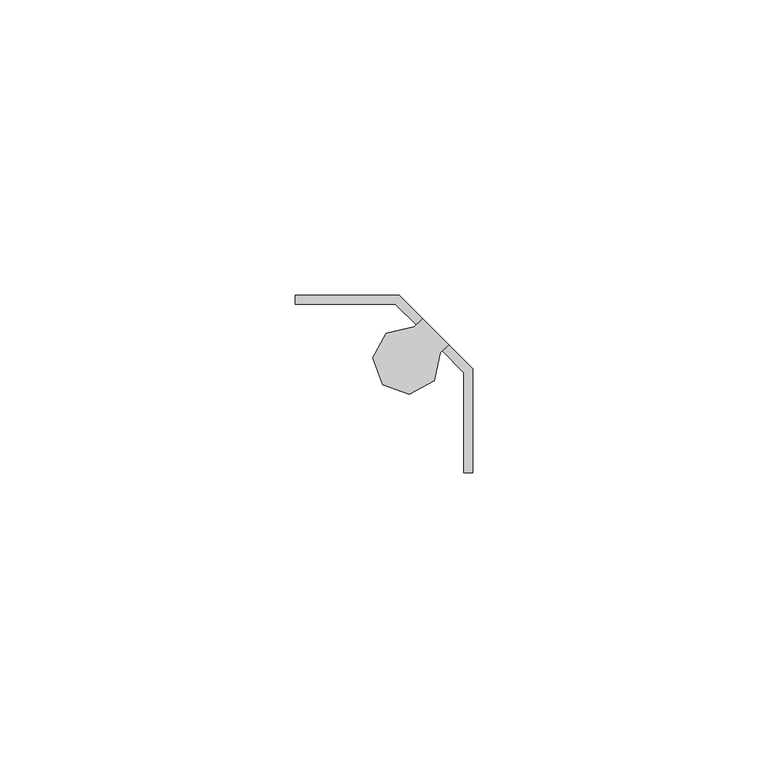
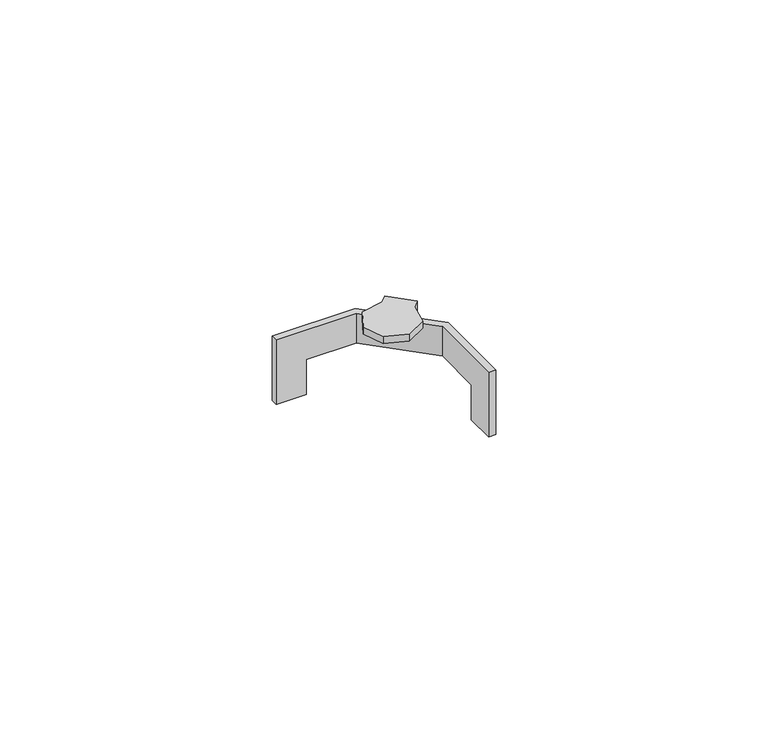
"""IFC4 building model written with IfcOpenShell, lengths in millimetres: furniture geometry."""

from ifc_helpers import new_model, si_unit, origin, place, context, project, spatial, faceted_brep, source, transform, mapped, element, save


def furniture_5d1d2573(model_context):
    return source(origin(), model_context, "Body", "Brep", [
        faceted_brep([(13.4619997, -16.6624005, 1011.936), (11.938, -16.6624005, 1011.936), (11.938, -10.3123997, 1011.936), (13.4619997, -10.3123997, 1011.936), (-16.6624005, 13.4619997, 1011.936), (-10.3123997, 13.4619997, 1011.936), (-10.3123997, 11.938, 1011.936), (-16.6624005, 11.938, 1011.936), (-16.6624005, 11.938, 1026.4140407), (-16.6624005, 13.4619997, 1026.4140407), (-10.3123997, 11.938, 1019.8100107), (0.3126179, 11.938, 1019.8100107), (0.3126179, 11.938, 1026.4140407), (11.938, -16.6624005, 1026.4140407), (11.938, 0.3126179, 1026.4140407), (11.938, 0.3126179, 1019.8100107), (11.938, -10.3123997, 1019.8100107), (13.4619997, -16.6624005, 1026.4140407), (13.4619997, -10.3123997, 1019.8100107), (13.4619997, 0.9438794, 1019.8100107), (13.4619997, 0.9438794, 1026.4140407), (0.9438794, 13.4619997, 1026.4140407), (0.9438794, 13.4619997, 1019.8100107), (-10.3123997, 13.4619997, 1019.8100107), (3.8526658, 8.3979521, 1026.4140407), (4.9302965, 9.4755825, 1026.4140407), (9.3306218, 5.0752572, 1026.4140407), (8.2529914, 3.9976265, 1026.4140407), (8.2529914, 3.9976265, 1028.7000203), (3.8526658, 8.3979521, 1028.7000203), (4.9302965, 9.4755825, 1030.2240552), (9.3306218, 5.0752572, 1030.2240552), (3.5109947, 8.0562811, 1030.2240552), (-1.198128, 7.035436, 1030.2240552), (-3.5048245, 2.804937, 1030.2240552), (-1.8121944, -1.7064898, 1030.2240552), (2.7079737, -3.375636, 1030.2240552), (6.9264196, -1.046971, 1030.2240552), (7.9227626, 3.6673977, 1030.2240552), (3.5109947, 8.0562811, 1028.7000203), (7.9227626, 3.6673977, 1028.7000203), (6.9264196, -1.046971, 1028.7000203), (2.7079737, -3.375636, 1028.7000203), (-1.8121944, -1.7064898, 1028.7000203), (-3.5048245, 2.804937, 1028.7000203), (-1.198128, 7.035436, 1028.7000203)], [[[0, 1, 2, 3]], [[4, 5, 6, 7]], [[4, 7, 8, 9]], [[7, 6, 10, 11, 12, 8]], [[2, 1, 13, 14, 15, 16]], [[1, 0, 17, 13]], [[0, 3, 18, 19, 20, 17]], [[5, 4, 9, 21, 22, 23]], [[6, 5, 23, 10]], [[3, 2, 16, 18]], [[9, 8, 12, 24, 25, 21]], [[14, 13, 17, 20, 26, 27]], [[22, 19, 18, 16, 15, 11, 10, 23]], [[11, 15, 14, 27, 28, 29, 24, 12]], [[19, 22, 21, 25, 30, 31, 26, 20]], [[31, 30, 32, 33, 34, 35, 36, 37, 38]], [[32, 30, 25, 24, 29, 39]], [[31, 38, 40, 28, 27, 26]], [[40, 41, 42, 43, 44, 45, 39, 29, 28]], [[33, 32, 39, 45]], [[34, 33, 45, 44]], [[35, 34, 44, 43]], [[36, 35, 43, 42]], [[37, 36, 42, 41]], [[38, 37, 41, 40]]]),
    ])


if __name__ == "__main__":
    model = new_model("IFC4")
    model_context = context("Model", 3, world=origin())
    ifc_project = project(units=[si_unit("LENGTHUNIT", "METRE", prefix="MILLI")], contexts=[model_context])
    site = spatial("IfcSite", under=ifc_project)
    building = spatial("IfcBuilding", under=site)
    placement = place(None, origin())
    furniture_shape = furniture_5d1d2573(model_context)
    element("IfcFurniture", 1, at=placement, inside=building, context=model_context, shape_type="MappedRepresentation", body=[
        mapped(furniture_shape, transform((0.0, 0.0, 0.0), x_axis=(1.0, 0.0, 0.0), y_axis=(0.0, 1.0, 0.0), z_axis=(0.0, 0.0, 1.0))),
    ])
    save(model, "model.ifc")
